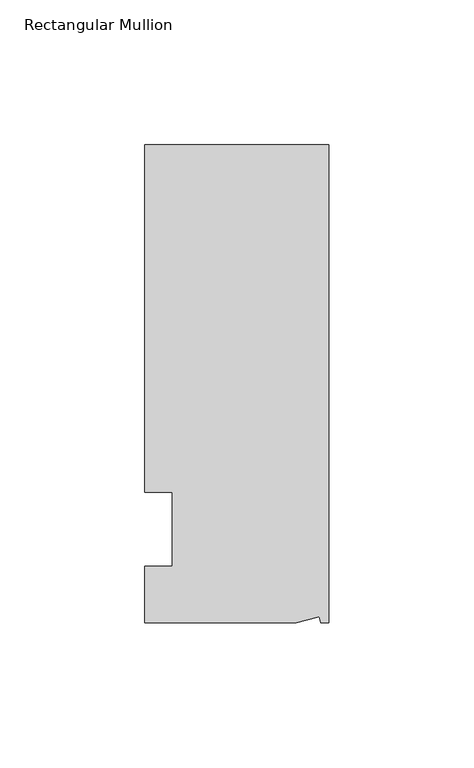
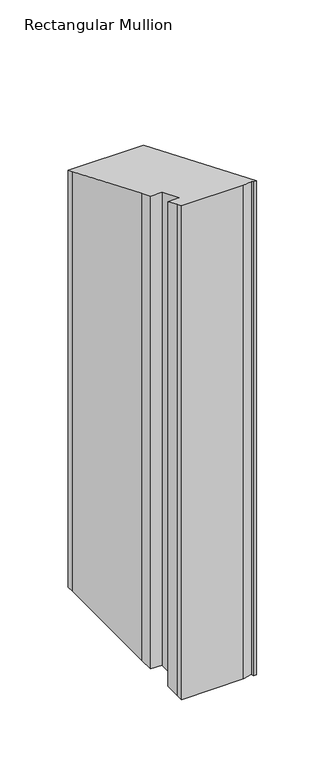
"""IFC4 building model written with IfcOpenShell, lengths in millimetres: member geometry, Rectangular Mullion."""

from ifc_helpers import new_model, si_unit, origin, place, context, project, spatial, faceted_brep, source, transform, mapped, element, save


def rectangular_mullion_2662fe58(model_context):
    return source(origin(), model_context, "Body", "Brep", [
        faceted_brep([(-3.3457217, -17.5748952, 7.2797599), (-11.1265412, -19.6597595, 8.143339), (-11.1265412, -19.6597595, -431.8), (-3.3457217, -17.5748952, -431.8), (-2.787084, -19.6597595, 8.143339), (-2.787084, -19.6597595, -431.8), (0.0, -19.6597595, 8.143339), (0.0, -19.6597595, -431.8), (0.0, 145.4402405, -60.2433201), (0.0, 145.4402405, -431.8), (-63.5, 145.4402405, -60.2433201), (-63.5, 145.4402405, -431.8), (-63.5, 38.3358837, -15.8792429), (-63.5, 139.0912527, -57.6134833), (-63.5, 139.0912527, -431.8), (-63.5, 38.3358837, -431.8), (-53.975, 25.4, -10.5210245), (-63.5, 25.4, -10.5210245), (-63.5, 25.4, -431.8), (-53.975, 25.4, -431.8), (-53.975, 0.0, 0.0), (-53.975, 0.0, -431.8), (-63.5, 0.0, 0.0), (-63.5, 0.0, -431.8), (-63.5, -13.6146679, 5.6393801), (-63.5, -13.6146679, -431.8), (-63.5, -19.6597595, 8.143339), (-63.5, -19.6597595, -431.8)], [[[0, 1, 2, 3]], [[4, 0, 3, 5]], [[6, 4, 5, 7]], [[8, 6, 7, 9]], [[10, 8, 9, 11]], [[12, 13, 14, 15]], [[16, 17, 18, 19]], [[20, 16, 19, 21]], [[22, 20, 21, 23]], [[24, 22, 23, 25]], [[1, 26, 27, 2]], [[1, 0, 4, 6, 8, 10, 13, 12, 17, 16, 20, 22, 24, 26]], [[2, 27, 25, 23, 21, 19, 18, 15, 14, 11, 9, 7, 5, 3]], [[13, 10, 11, 14]], [[17, 12, 15, 18]], [[26, 24, 25, 27]]]),
    ])


if __name__ == "__main__":
    model = new_model("IFC4")
    model_context = context("Model", 3, world=origin())
    ifc_project = project(units=[si_unit("LENGTHUNIT", "METRE", prefix="MILLI")], contexts=[model_context])
    site = spatial("IfcSite", under=ifc_project)
    building = spatial("IfcBuilding", under=site)
    placement = place(None, origin())
    rectangular_mullion_shape = rectangular_mullion_2662fe58(model_context)
    element("IfcMember", 1, ObjectType="Rectangular Mullion", at=placement, inside=building, context=model_context, shape_type="MappedRepresentation", body=[
        mapped(rectangular_mullion_shape, transform((0.0, 0.0, 0.0), x_axis=(1.0, 0.0, 0.0), y_axis=(0.0, 1.0, 0.0), z_axis=(0.0, 0.0, 1.0))),
    ])
    save(model, "model.ifc")
